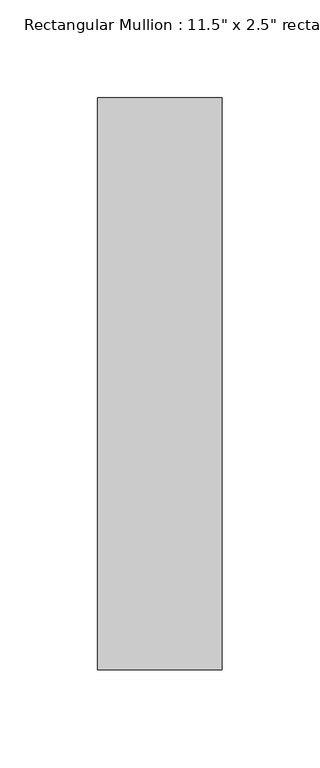
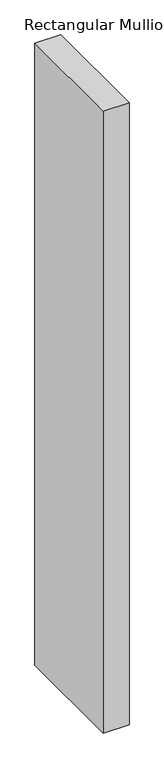
"""IFC4 building model written with IfcOpenShell, lengths in millimetres: member geometry."""

from ifc_helpers import new_model, si_unit, frame, origin, place, context, project, spatial, polyline, outline, extrude, source, transform, mapped, element, save


def member_fc30747a(model_context):
    return source(origin(), model_context, "Body", "SweptSolid", [
        extrude(outline(polyline([(0.0, 203.2), (0.0, -88.9), (-63.5, -88.9), (-63.5, 203.2), (0.0, 203.2)])), frame((0.0, 0.0, -1621.5271838), z_axis=(0.0, 0.0, 1.0), x_axis=(1.0, 0.0, 0.0)), (0.0, 0.0, 1.0), 1621.5271838),
    ])


if __name__ == "__main__":
    model = new_model("IFC4")
    model_context = context("Model", 3, world=origin())
    ifc_project = project(units=[si_unit("LENGTHUNIT", "METRE", prefix="MILLI")], contexts=[model_context])
    site = spatial("IfcSite", under=ifc_project)
    building = spatial("IfcBuilding", under=site)
    placement = place(None, origin())
    member_shape = member_fc30747a(model_context)
    element("IfcMember", 1, ObjectType="Rectangular Mullion : 11.5\" x 2.5\" rectangular", at=placement, inside=building, context=model_context, shape_type="MappedRepresentation", body=[
        mapped(member_shape, transform((0.0, 0.0, 0.0), x_axis=(1.0, 0.0, 0.0), y_axis=(0.0, 1.0, 0.0), z_axis=(0.0, 0.0, 1.0))),
    ])
    save(model, "model.ifc")
